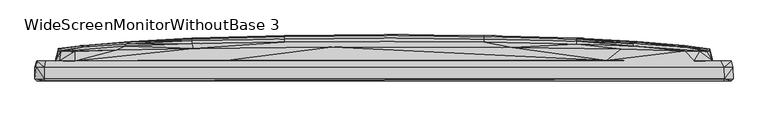
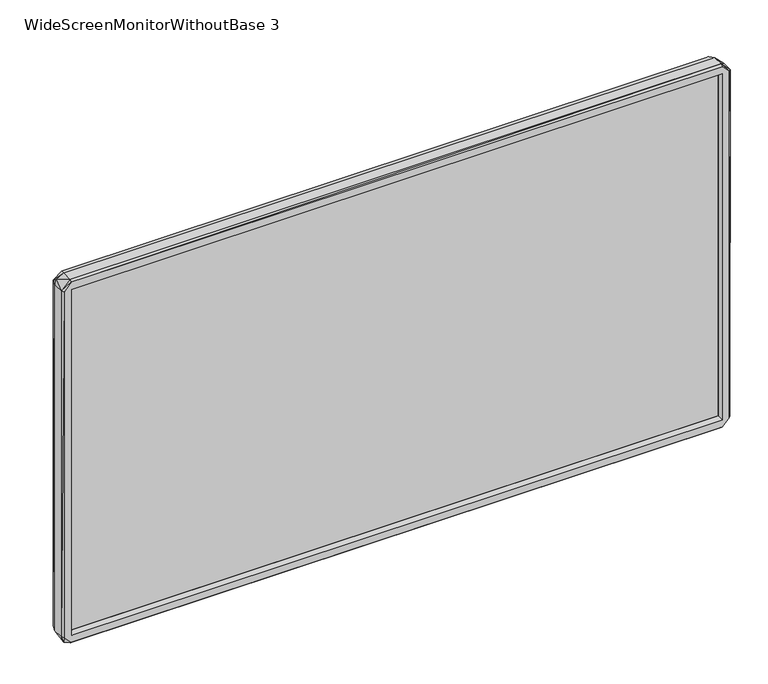
"""IFC4 building model written with IfcOpenShell, lengths in millimetres: furniture geometry, WideScreenMonitorWithoutBase 3."""

from ifc_helpers import new_model, si_unit, origin, place, context, project, spatial, triangles, source, transform, mapped, element, save


def widescreenmonitorwithoutbase_3_925fc26c(model_context):
    return source(origin(), model_context, "Body", "Tessellation", [
        triangles([(-524.0943543, -0.9800291, 14.639141), (-523.9943241, 16.3199693, 14.3391411), (-519.8943563, -0.9800289, 4.5391414), (-521.2943436, -4.0800287, 14.2391415), (-524.0943543, 16.3199693, 587.7769135), (-523.9943241, -0.9800291, 588.3768768), (-521.4943314, -4.0800287, 587.7769135), (-520.9943619, 25.5199698, 16.1391402), (-510.2943246, 16.3199716, 0.1391416), (-521.2943436, 25.5199698, 589.2768946), (-510.3943185, -4.0800284, 14.5391414), (-510.3943185, -4.0800284, 588.176889), (-509.9943429, -4.0800284, 2.6391416), (-451.2278718, 25.5199766, 2.6391416), (-493.6943204, 26.1199718, 54.7391415), (-465.1278591, 26.1199741, 26.7391405), (-493.8943445, 26.1199718, 547.4931078), (-510.194367, -0.9800284, 0.0391416), (-507.2943624, 2.4199717, 17.9391405), (507.3023561, 2.420028, 17.9391405), (510.4023122, -4.0799716, 14.5391414), (510.1023305, -4.0799716, 2.6391416), (510.1023305, 16.3200272, 0.0391416), (510.5023424, -0.9799716, 0.1391416), (507.3023561, 8.9200269, 17.9391405), (-507.2943624, 8.9199713, 17.9391405), (-507.2943624, 8.9199713, 584.7768785), (-507.2943624, 2.4199717, 584.7768785), (134.4369613, 9.1200079, 240.9742265), (-489.2943346, 42.1013228, 115.8066849), (-486.5943541, 40.1013222, 50.9391373), (-476.2943287, 39.8013269, 36.639138), (-427.127853, 41.3013308, 30.5391402), (88.5369741, 46.6013525, 30.5391402), (185.0034605, 26.9200115, 26.2391415), (507.9023194, 25.5200289, 2.7391414), (465.0358589, 26.1200263, 26.7391405), (331.3029244, 43.9013674, 30.5391402), (450.7358597, 40.601378, 30.7391416), (473.9023599, 39.9013753, 35.2391417), (487.9023411, 26.0200279, 37.5391399), (521.2023434, 25.5200311, 13.039141), (487.4023353, 40.2013752, 55.8229144), (493.6023202, 26.1200286, 57.3229137), (507.3023561, 8.9200269, 584.7768785), (507.3023561, 2.420028, 584.7768785), (510.4023122, -4.0799716, 588.176889), (524.0023905, 16.3200295, 14.5391414), (521.4023675, -4.079971, 14.639141), (524.0023905, -0.9799709, 14.4391418), (521.3023373, 25.5200311, 589.2768946), (523.9023602, 16.3200295, 588.576901), (521.3023373, -4.079971, 588.576901), (524.102348, -0.9799709, 588.0768951), (-368.2613517, 48.7013333, 80.4229163), (-451.3278657, 46.8013266, 137.0066809), (-373.4613613, 52.0013272, 138.0066834), (-288.4284339, 51.4013365, 80.4229163), (-191.2954456, 45.8013377, 30.5391402), (-150.0954441, 54.0013414, 80.4229163), (0.0039998, 54.90135, 80.4229163), (150.1034469, 54.0013595, 80.4229163), (288.4364094, 51.8013666, 84.7229173), (349.8029217, 49.901369, 85.9229076), (425.5358717, 45.9013725, 80.4229163), (493.7023504, 26.1200286, 548.0768658), (489.3023283, 43.2013738, 171.8904528), (489.3023283, 43.5013782, 418.2255621), (-288.4284339, 55.7013375, 137.8066865), (-150.0954441, 59.1013435, 138.7066861), (0.0039995, 60.1013506, 138.0066834), (150.1034469, 58.9013557, 136.706681), (288.4364094, 56.201366, 145.2066891), (391.4693828, 51.00137, 136.806684), (451.3358594, 46.5013767, 130.8066869), (-489.2943346, 44.3013248, 254.2742505), (-451.3278657, 49.0013241, 269.6742371), (-489.0943468, 40.9013234, 527.6930809), (-378.7613648, 54.401326, 220.4742424), (-288.4284339, 59.1013344, 220.4742424), (-150.0954441, 62.9013386, 220.4742424), (0.0039993, 64.1013517, 220.4742424), (150.1034469, 62.9013568, 220.4742424), (288.4364094, 59.1013662, 220.4742424), (381.2693876, 54.20137, 220.4742424), (451.3358594, 48.7013742, 220.4742424), (451.3358594, 49.0013786, 331.9417663), (-489.2943346, 43.7013251, 400.6255463), (-379.9613643, 55.1013287, 301.1580166), (-451.3278657, 48.7013242, 381.9417666), (-381.2613939, 54.2013291, 381.9417666), (-288.4284339, 60.001334, 301.1580166), (-150.0954441, 64.0013442, 301.1580166), (0.0039992, 65.3013511, 301.1580166), (150.1034469, 64.0013578, 301.1580166), (288.4364094, 60.0013657, 301.1580166), (379.9693943, 55.1013741, 301.1580166), (-288.4284339, 59.1013344, 381.9417666), (-150.0954441, 62.9013386, 381.9417666), (0.0039993, 64.1013517, 381.9417666), (150.1034469, 62.9013568, 381.9417666), (288.4364094, 59.1013662, 381.9417666), (378.6693646, 54.4013714, 381.9417666), (-451.3278657, 46.5013222, 471.6092949), (-387.6613667, 51.6013289, 457.2093018), (-288.4284339, 56.2013342, 457.2093018), (-150.0954441, 58.9013375, 465.6092978), (0.0039995, 60.1013506, 464.4093347), (150.1034469, 59.1013571, 463.709341), (288.4364094, 55.7013693, 464.5092922), (373.4693913, 52.0013726, 464.4093347), (451.3358594, 46.8013766, 465.40931), (489.1023768, 40.501375, 538.4931121), (-484.9943427, 39.9013254, 555.7769045), (-388.96136, 48.101329, 516.6930619), (-288.4284339, 51.7013364, 518.1930794), (-150.0954441, 54.0013414, 521.9931018), (0.0039998, 54.90135, 521.9931018), (150.1034469, 54.0013595, 521.9931018), (288.4364094, 51.4013638, 521.9931018), (373.8694033, 48.4013698, 521.9931018), (485.5023786, 40.0013783, 554.7768929), (-487.8943474, 26.0199711, 565.1769121), (-402.16139, 42.3013288, 571.9768968), (-286.6284166, 44.7013322, 571.9768968), (-77.6624834, 46.7013463, 571.9768968), (191.903439, 45.9013634, 571.9768968), (355.8028825, 43.5013691, 571.9768968), (451.3358594, 40.501375, 571.6769151), (-521.794313, 16.5199707, 595.6769036), (-510.3943185, -0.9800284, 602.6768761), (-510.194367, -4.0800284, 599.9768955), (-510.0943368, 16.3199716, 602.6768761), (-508.3943679, 25.5199721, 600.0769258), (-464.2278414, 26.1199741, 576.0768645), (510.7023665, -0.9799716, 602.5769185), (510.1023305, 16.3200272, 602.6768761), (510.1023305, -4.0799716, 600.0769258), (505.9023325, 25.5200289, 600.0769258), (-230.6619199, 26.9199866, 576.4768764), (-464.2278414, 40.1013222, 569.8769159), (333.5028992, 26.6200185, 576.4768764), (465.5358647, 26.1200263, 575.8768767), (474.1023477, 39.8013769, 567.1768627)], [[1, 2, 3], [1, 3, 4], [1, 5, 2], [1, 6, 5], [1, 7, 6], [1, 4, 7], [2, 8, 9], [2, 9, 3], [2, 5, 10], [2, 10, 8], [4, 11, 12], [4, 13, 11], [4, 12, 7], [4, 3, 13], [8, 14, 9], [8, 15, 16], [8, 16, 14], [8, 17, 15], [8, 10, 17], [3, 18, 13], [3, 9, 18], [11, 19, 12], [11, 20, 19], [11, 21, 20], [11, 13, 22], [11, 22, 21], [9, 14, 23], [9, 23, 18], [18, 23, 24], [18, 24, 13], [13, 24, 22], [19, 25, 26], [19, 20, 25], [19, 26, 27], [19, 28, 12], [19, 27, 28], [26, 25, 29], [26, 29, 27], [15, 30, 31], [15, 17, 30], [15, 31, 32], [15, 32, 16], [16, 32, 33], [16, 33, 34], [16, 34, 35], [16, 35, 14], [14, 35, 36], [14, 36, 23], [35, 37, 36], [35, 34, 38], [35, 38, 37], [37, 38, 39], [37, 39, 40], [37, 40, 41], [37, 41, 42], [37, 42, 36], [41, 40, 43], [41, 43, 44], [41, 44, 42], [25, 45, 29], [25, 20, 46], [25, 46, 45], [20, 21, 47], [20, 47, 46], [36, 42, 23], [23, 42, 48], [23, 48, 24], [22, 24, 49], [22, 49, 21], [21, 49, 47], [24, 50, 49], [24, 48, 50], [42, 44, 51], [42, 51, 52], [42, 52, 48], [49, 53, 47], [49, 50, 54], [49, 54, 53], [48, 52, 54], [48, 54, 50], [31, 33, 32], [31, 55, 33], [31, 30, 56], [31, 56, 57], [31, 57, 55], [33, 55, 58], [33, 58, 59], [33, 59, 34], [59, 58, 60], [59, 60, 61], [59, 61, 34], [34, 61, 62], [34, 62, 38], [38, 62, 63], [38, 63, 64], [38, 64, 65], [38, 65, 39], [39, 65, 40], [40, 65, 43], [44, 66, 51], [44, 43, 67], [44, 67, 68], [44, 68, 66], [55, 57, 69], [55, 69, 58], [58, 69, 70], [58, 70, 60], [60, 70, 71], [60, 71, 61], [61, 71, 72], [61, 72, 62], [62, 72, 63], [63, 72, 73], [63, 73, 74], [63, 74, 64], [64, 74, 65], [65, 74, 75], [65, 75, 43], [43, 75, 67], [30, 76, 77], [30, 77, 56], [30, 17, 78], [30, 78, 76], [56, 77, 79], [56, 79, 57], [57, 79, 80], [57, 80, 69], [69, 80, 81], [69, 81, 70], [70, 81, 82], [70, 82, 71], [71, 82, 83], [71, 83, 72], [72, 83, 84], [72, 84, 73], [73, 84, 85], [73, 85, 74], [74, 85, 86], [74, 86, 75], [75, 86, 67], [67, 86, 87], [67, 87, 68], [29, 45, 27], [76, 88, 77], [76, 78, 88], [77, 89, 79], [77, 90, 91], [77, 91, 89], [77, 88, 90], [79, 89, 92], [79, 92, 80], [80, 92, 93], [80, 93, 81], [81, 93, 94], [81, 94, 82], [82, 94, 95], [82, 95, 83], [83, 95, 96], [83, 96, 84], [84, 96, 97], [84, 97, 85], [85, 97, 87], [85, 87, 86], [89, 91, 98], [89, 98, 92], [92, 98, 99], [92, 99, 93], [93, 99, 100], [93, 100, 94], [94, 100, 101], [94, 101, 95], [95, 101, 102], [95, 102, 96], [96, 102, 103], [96, 103, 97], [97, 103, 87], [90, 88, 104], [90, 104, 105], [90, 105, 91], [91, 105, 106], [91, 106, 98], [98, 106, 107], [98, 107, 99], [99, 107, 108], [99, 108, 100], [100, 108, 109], [100, 109, 101], [101, 109, 110], [101, 110, 102], [102, 110, 111], [102, 111, 103], [103, 111, 112], [103, 112, 87], [87, 112, 68], [88, 78, 104], [68, 112, 113], [68, 113, 66], [104, 78, 114], [104, 115, 105], [104, 114, 115], [105, 115, 116], [105, 116, 106], [106, 116, 107], [107, 116, 117], [107, 117, 118], [107, 118, 108], [108, 118, 119], [108, 119, 109], [109, 119, 120], [109, 120, 110], [110, 120, 121], [110, 121, 111], [111, 121, 122], [111, 122, 112], [112, 122, 113], [17, 123, 114], [17, 114, 78], [17, 10, 123], [115, 114, 124], [115, 124, 125], [115, 125, 116], [116, 125, 117], [117, 125, 126], [117, 126, 118], [118, 126, 127], [118, 127, 119], [119, 127, 120], [120, 127, 128], [120, 128, 121], [121, 128, 129], [121, 129, 122], [113, 122, 66], [5, 6, 130], [5, 130, 10], [6, 131, 130], [6, 7, 132], [6, 132, 131], [130, 131, 133], [130, 133, 10], [7, 12, 132], [10, 134, 135], [10, 135, 123], [10, 133, 134], [12, 28, 47], [12, 47, 132], [131, 132, 136], [131, 137, 133], [131, 136, 137], [132, 138, 136], [132, 47, 138], [133, 139, 134], [133, 137, 139], [134, 140, 135], [134, 139, 140], [28, 27, 45], [28, 45, 46], [28, 46, 47], [123, 135, 141], [123, 141, 114], [135, 140, 125], [135, 124, 141], [135, 125, 124], [140, 139, 142], [140, 142, 126], [140, 126, 125], [142, 143, 129], [142, 127, 126], [142, 128, 127], [142, 129, 128], [142, 139, 143], [143, 139, 51], [143, 51, 66], [143, 66, 144], [143, 144, 129], [66, 122, 144], [139, 137, 51], [137, 136, 52], [137, 52, 51], [138, 47, 53], [138, 53, 136], [136, 54, 52], [136, 53, 54], [114, 141, 124], [129, 144, 122]]),
        triangles([(507.2588267, 5.0111398, 17.9787207), (507.2588267, 5.0111398, 584.7926116), (507.2588267, 2.4111395, 17.9787207), (507.2588267, 2.4111395, 584.7926116), (-507.2899295, 2.411083, 584.7926116), (-507.2899295, 5.011083, 584.7926116), (-507.2899295, 5.011083, 17.9787207), (-507.2899295, 2.411083, 17.9787207)], [[1, 2, 3], [3, 2, 4], [5, 4, 2], [5, 2, 6], [7, 1, 3], [7, 3, 8], [7, 6, 1], [7, 8, 5], [7, 5, 6], [8, 3, 4], [8, 4, 5], [1, 6, 2]]),
    ])


if __name__ == "__main__":
    model = new_model("IFC4")
    model_context = context("Model", 3, world=origin())
    ifc_project = project(units=[si_unit("LENGTHUNIT", "METRE", prefix="MILLI")], contexts=[model_context])
    site = spatial("IfcSite", under=ifc_project)
    building = spatial("IfcBuilding", under=site)
    placement = place(None, origin())
    widescreenmonitorwithoutbase_3_shape = widescreenmonitorwithoutbase_3_925fc26c(model_context)
    element("IfcFurniture", 1, ObjectType="WideScreenMonitorWithoutBase 3", at=placement, inside=building, context=model_context, shape_type="MappedRepresentation", body=[
        mapped(widescreenmonitorwithoutbase_3_shape, transform((0.0, 0.0, 0.0), x_axis=(1.0, 0.0, 0.0), y_axis=(0.0, 1.0, 0.0), z_axis=(0.0, 0.0, 1.0))),
    ])
    save(model, "model.ifc")
